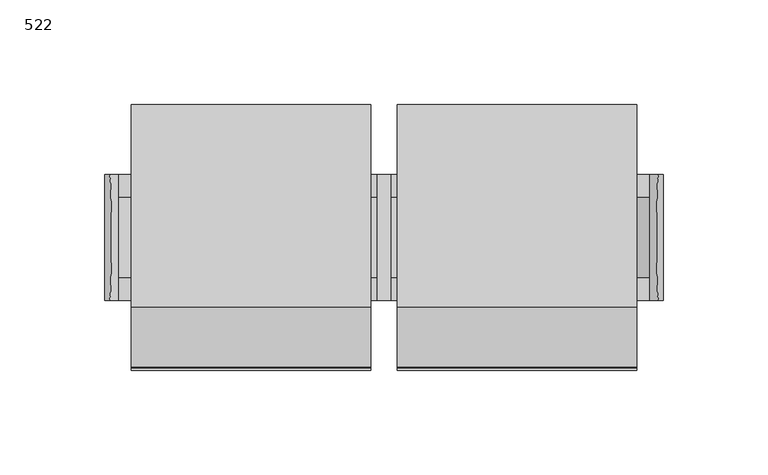
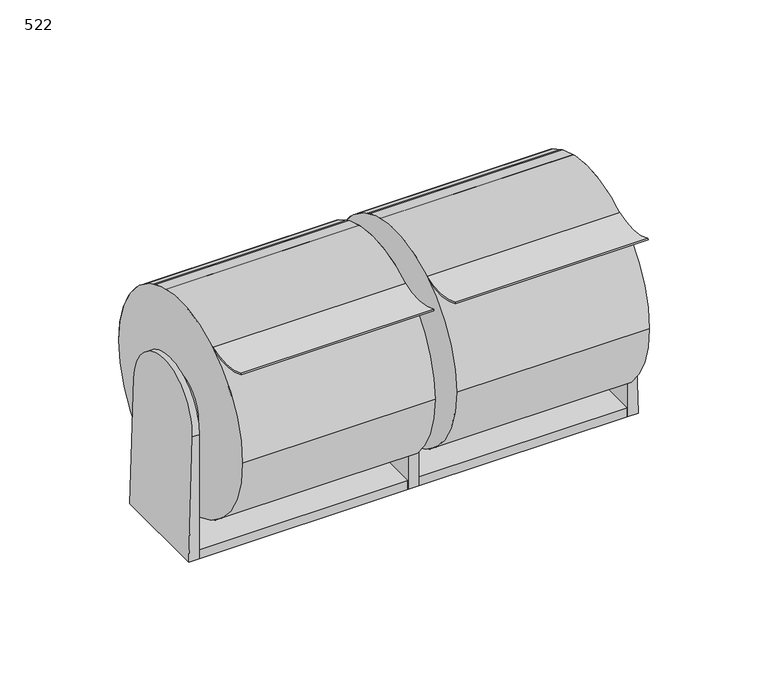
"""IFC4 building model written with IfcOpenShell, lengths in millimetres: proxy geometry, 522."""

from ifc_helpers import new_model, si_unit, point, frame, frame_2d, origin, origin_with_axes, place, context, project, spatial, polyline, circle_curve, ellipse_curve, trimmed, segment, composite_curve, outline, extrude, source, transform, mapped, element, save
from ifc_brep_helpers import plane_surface, cylinder_surface, advanced_brep


def proxy_522_7484cd55(model_context):
    return source(origin(), model_context, "Body", "SolidModel", [
        extrude(outline(composite_curve([segment(trimmed(circle_curve(frame_2d((0.0, 77.7875)), 63.5), [point((-63.5, 77.7875))], [point((63.5, 77.7875))], False, "CARTESIAN"), True, "CONTINUOUS"), segment(trimmed(circle_curve(frame_2d((0.0, 77.7875)), 63.5), [point((63.5, 77.7875))], [point((-63.5, 77.7875))], False, "CARTESIAN"), True, "CONTINUOUS")], self_intersect=False)), frame((6.35, 0.0, 0.0), z_axis=(1.0, 0.0, 0.0), x_axis=(0.0, 1.0, 0.0)), (0.0, 0.0, 1.0), 114.3),
        extrude(outline(composite_curve([segment(trimmed(circle_curve(frame_2d((0.0, 77.7875)), 63.5), [point((-63.5, 77.7875))], [point((63.5, 77.7875))], False, "CARTESIAN"), True, "CONTINUOUS"), segment(trimmed(circle_curve(frame_2d((0.0, 77.7875)), 63.5), [point((63.5, 77.7875))], [point((-63.5, 77.7875))], False, "CARTESIAN"), True, "CONTINUOUS")], self_intersect=False)), frame((-120.65, 0.0, 0.0), z_axis=(1.0, 0.0, 0.0), x_axis=(0.0, 1.0, 0.0)), (0.0, 0.0, 1.0), 114.3),
        extrude(outline(composite_curve([segment(polyline([(-62.3232389, 132.616294), (-61.9846275, 133.3341947)]), True, "CONTINUOUS"), segment(trimmed(circle_curve(frame_2d((-46.1096275, 166.9912771)), 37.2131002), [point((-61.9846275, 133.3341947))], [point((-32.4206435, 132.3874256))], True, "CARTESIAN"), True, "CONTINUOUS"), segment(trimmed(circle_curve(frame_2d((0.0, 77.7875)), 63.5), [point((-32.4206435, 132.3874256))], [point((63.5, 77.7875))], False, "CARTESIAN"), True, "CONTINUOUS"), segment(trimmed(circle_curve(frame_2d((0.0, 77.7875)), 63.5), [point((63.5, 77.7875))], [point((-63.5, 77.7875))], False, "CARTESIAN"), True, "CONTINUOUS"), segment(trimmed(circle_curve(frame_2d((0.0, 77.7875)), 63.5), [point((-63.5, 77.7875))], [point((-35.3470043, 130.5401235))], False, "CARTESIAN"), True, "CONTINUOUS"), segment(trimmed(circle_curve(frame_2d((-46.1096275, 166.9912771)), 38.0068502), [point((-35.3470043, 130.5401235))], [point((-62.3232389, 132.616294))], False, "CARTESIAN"), True, "CONTINUOUS")], self_intersect=False), holes=[composite_curve([segment(trimmed(circle_curve(frame_2d((0.0, 77.7875)), 19.05), [point((-19.05, 77.7875))], [point((19.05, 77.7875))], True, "CARTESIAN"), True, "CONTINUOUS"), segment(trimmed(circle_curve(frame_2d((0.0, 77.7875)), 19.05), [point((19.05, 77.7875))], [point((-19.05, 77.7875))], True, "CARTESIAN"), True, "CONTINUOUS")], self_intersect=False)]), frame((6.35, 0.0, 0.0), z_axis=(1.0, 0.0, 0.0), x_axis=(0.0, 1.0, 0.0)), (0.0, 0.0, 1.0), 114.3),
        extrude(outline(composite_curve([segment(polyline([(-62.3232389, 132.616294), (-61.9846275, 133.3341947)]), True, "CONTINUOUS"), segment(trimmed(circle_curve(frame_2d((-46.1096275, 166.9912771)), 37.2131002), [point((-61.9846275, 133.3341947))], [point((-32.4206435, 132.3874256))], True, "CARTESIAN"), True, "CONTINUOUS"), segment(trimmed(circle_curve(frame_2d((0.0, 77.7875)), 63.5), [point((-32.4206435, 132.3874256))], [point((63.5, 77.7875))], False, "CARTESIAN"), True, "CONTINUOUS"), segment(trimmed(circle_curve(frame_2d((0.0, 77.7875)), 63.5), [point((63.5, 77.7875))], [point((-63.5, 77.7875))], False, "CARTESIAN"), True, "CONTINUOUS"), segment(trimmed(circle_curve(frame_2d((0.0, 77.7875)), 63.5), [point((-63.5, 77.7875))], [point((-35.3470043, 130.5401235))], False, "CARTESIAN"), True, "CONTINUOUS"), segment(trimmed(circle_curve(frame_2d((-46.1096275, 166.9912771)), 38.0068502), [point((-35.3470043, 130.5401235))], [point((-62.3232389, 132.616294))], False, "CARTESIAN"), True, "CONTINUOUS")], self_intersect=False), holes=[composite_curve([segment(trimmed(circle_curve(frame_2d((0.0, 77.7875)), 19.05), [point((-19.05, 77.7875))], [point((19.05, 77.7875))], True, "CARTESIAN"), True, "CONTINUOUS"), segment(trimmed(circle_curve(frame_2d((0.0, 77.7875)), 19.05), [point((19.05, 77.7875))], [point((-19.05, 77.7875))], True, "CARTESIAN"), True, "CONTINUOUS")], self_intersect=False)]), frame((-120.65, 0.0, 0.0), z_axis=(1.0, 0.0, 0.0), x_axis=(0.0, 1.0, 0.0)), (0.0, 0.0, 1.0), 114.3),
        extrude(outline(composite_curve([segment(trimmed(circle_curve(frame_2d((0.0, 77.7875)), 30.1625), [point((-30.1625, 77.7875))], [point((30.1625, 77.7875))], False, "CARTESIAN"), True, "CONTINUOUS"), segment(polyline([(30.1625, 77.7875), (30.1625, 0.0), (-30.1625, 0.0), (-30.1625, 77.7875)]), True, "CONTINUOUS")], self_intersect=False)), frame((-3.175, 0.0, 0.0), z_axis=(1.0, 0.0, 0.0), x_axis=(0.0, 1.0, 0.0)), (0.0, 0.0, 1.0), 6.35),
        extrude(outline(composite_curve([segment(trimmed(circle_curve(frame_2d((0.0, 77.7875)), 19.05), [point((-19.05, 77.7875))], [point((19.05, 77.7875))], False, "CARTESIAN"), True, "CONTINUOUS"), segment(trimmed(circle_curve(frame_2d((0.0, 77.7875)), 19.05), [point((19.05, 77.7875))], [point((-19.05, 77.7875))], False, "CARTESIAN"), True, "CONTINUOUS")], self_intersect=False), holes=[composite_curve([segment(trimmed(circle_curve(frame_2d((0.0, 77.7875)), 16.3710938), [point((-16.3710938, 77.7875))], [point((16.3710937, 77.7875))], True, "CARTESIAN"), True, "CONTINUOUS"), segment(trimmed(circle_curve(frame_2d((0.0, 77.7875)), 16.3710938), [point((16.3710937, 77.7875))], [point((-16.3710938, 77.7875))], True, "CARTESIAN"), True, "CONTINUOUS")], self_intersect=False)]), frame((3.175, 0.0, 0.0), z_axis=(1.0, 0.0, 0.0), x_axis=(0.0, 1.0, 0.0)), (0.0, 0.0, 1.0), 12.6139096),
        extrude(outline(composite_curve([segment(trimmed(circle_curve(frame_2d((0.0, 77.7875)), 19.05), [point((-19.05, 77.7875))], [point((19.05, 77.7875))], False, "CARTESIAN"), True, "CONTINUOUS"), segment(trimmed(circle_curve(frame_2d((0.0, 77.7875)), 19.05), [point((19.05, 77.7875))], [point((-19.05, 77.7875))], False, "CARTESIAN"), True, "CONTINUOUS")], self_intersect=False), holes=[composite_curve([segment(trimmed(circle_curve(frame_2d((0.0, 77.7875)), 16.3710938), [point((-16.3710938, 77.7875))], [point((16.3710937, 77.7875))], True, "CARTESIAN"), True, "CONTINUOUS"), segment(trimmed(circle_curve(frame_2d((0.0, 77.7875)), 16.3710938), [point((16.3710937, 77.7875))], [point((-16.3710938, 77.7875))], True, "CARTESIAN"), True, "CONTINUOUS")], self_intersect=False)]), frame((-15.7889096, 0.0, 0.0), z_axis=(1.0, 0.0, 0.0), x_axis=(0.0, 1.0, 0.0)), (0.0, 0.0, 1.0), 12.6139096),
        extrude(outline(composite_curve([segment(trimmed(circle_curve(frame_2d((0.0, 77.7875)), 19.05), [point((-19.05, 77.7875))], [point((19.05, 77.7875))], False, "CARTESIAN"), True, "CONTINUOUS"), segment(trimmed(circle_curve(frame_2d((0.0, 77.7875)), 19.05), [point((19.05, 77.7875))], [point((-19.05, 77.7875))], False, "CARTESIAN"), True, "CONTINUOUS")], self_intersect=False), holes=[composite_curve([segment(trimmed(circle_curve(frame_2d((0.0, 77.7875)), 16.3710938), [point((-16.3710938, 77.7875))], [point((16.3710937, 77.7875))], True, "CARTESIAN"), True, "CONTINUOUS"), segment(trimmed(circle_curve(frame_2d((0.0, 77.7875)), 16.3710938), [point((16.3710937, 77.7875))], [point((-16.3710938, 77.7875))], True, "CARTESIAN"), True, "CONTINUOUS")], self_intersect=False)]), frame((114.3860904, 0.0, 0.0), z_axis=(1.0, 0.0, 0.0), x_axis=(0.0, 1.0, 0.0)), (0.0, 0.0, 1.0), 12.6139096),
        extrude(outline(composite_curve([segment(trimmed(circle_curve(frame_2d((0.0, 77.7875)), 19.05), [point((-19.05, 77.7875))], [point((19.05, 77.7875))], False, "CARTESIAN"), True, "CONTINUOUS"), segment(trimmed(circle_curve(frame_2d((0.0, 77.7875)), 19.05), [point((19.05, 77.7875))], [point((-19.05, 77.7875))], False, "CARTESIAN"), True, "CONTINUOUS")], self_intersect=False), holes=[composite_curve([segment(trimmed(circle_curve(frame_2d((0.0, 77.7875)), 16.3710938), [point((-16.3710938, 77.7875))], [point((16.3710937, 77.7875))], True, "CARTESIAN"), True, "CONTINUOUS"), segment(trimmed(circle_curve(frame_2d((0.0, 77.7875)), 16.3710938), [point((16.3710937, 77.7875))], [point((-16.3710938, 77.7875))], True, "CARTESIAN"), True, "CONTINUOUS")], self_intersect=False)]), frame((-127.0, 0.0, 0.0), z_axis=(1.0, 0.0, 0.0), x_axis=(0.0, 1.0, 0.0)), (0.0, 0.0, 1.0), 12.6139096),
        advanced_brep(
        [(127.0, -30.1625, 77.7875), (127.0, 30.1625, 77.7875), (127.0, 30.1625, 0.0), (127.0, -30.1625, 0.0), (131.0621324, -30.1625, 77.7875), (131.0621324, 30.1625, 77.7875), (133.35, 30.1625, 0.0), (133.35, -30.1625, 0.0)],
        [
            (0, 1, circle_curve(frame((127.0, 0.0, 77.7875), z_axis=(-1.0, 0.0, 0.0), x_axis=(0.0, 1.0, 0.0)), 30.1625)),
            (1, 2),
            (2, 3),
            (3, 0),
            (0, 4),
            (4, 5, ellipse_curve(frame((131.0621324, 0.0, 77.7875), z_axis=(-0.9995677544643551, 0.0, -0.029399051601824357), x_axis=(-0.02939905160182493, 0.0, 0.9995677544643551)), 30.1755432, 30.1625)),
            (5, 1),
            (5, 6),
            (6, 2),
            (6, 7),
            (7, 3),
            (7, 4),
        ],
        [
            plane_surface(frame((127.0, 30.1625, 77.7875), z_axis=(-1.0, 0.0, 0.0), x_axis=(0.0, 0.0, -1.0))),
            cylinder_surface(frame((133.35, 0.0, 77.7875), z_axis=(-1.0, 0.0, 0.0), x_axis=(0.0, 1.0, 0.0)), 30.1625),
            plane_surface(frame((127.0, 30.1625, 77.7875), z_axis=(0.0, 1.0, 0.0), x_axis=(1.0, 0.0, 0.0))),
            plane_surface(frame((127.0, 30.1625, 0.0), z_axis=(0.0, 0.0, -1.0), x_axis=(1.0, 0.0, 0.0))),
            plane_surface(frame((127.0, -30.1625, 0.0), z_axis=(0.0, -1.0, 0.0), x_axis=(1.0, 0.0, 0.0))),
            plane_surface(frame((129.6163204, -71.5464704, 126.9451048), z_axis=(0.9995677544643551, 0.0, 0.029399051601824357), x_axis=(0.0, 1.0, 0.0))),
        ],
        [
            (0, [[1, 2, 3, 4]]),
            (1, [[-1, 5, 6, 7]]),
            (2, [[-2, -7, 8, 9]]),
            (3, [[-3, -9, 10, 11]]),
            (4, [[-4, -11, 12, -5]]),
            (5, [[-6, -12, -10, -8]]),
        ],
    ),
        advanced_brep(
        [(-127.0, -30.1625, 77.7875), (-127.0, -30.1625, 0.0), (-127.0, 30.1625, 0.0), (-127.0, 30.1625, 77.7875), (-131.0621324, -30.1625, 77.7875), (-133.35, -30.1625, 0.0), (-133.35, 30.1625, 0.0), (-131.0621324, 30.1625, 77.7875)],
        [
            (0, 1),
            (1, 2),
            (2, 3),
            (3, 0, circle_curve(frame((-127.0, 0.0, 77.7875), z_axis=(1.0, 0.0, 0.0), x_axis=(0.0, 1.0, 0.0)), 30.1625)),
            (0, 4),
            (4, 5),
            (5, 1),
            (5, 6),
            (6, 2),
            (6, 7),
            (7, 3),
            (7, 4, ellipse_curve(frame((-131.0621324, 0.0, 77.7875), z_axis=(0.9995677544643545, 0.0, -0.029399051601844854), x_axis=(0.029399051601843855, 0.0, 0.9995677544643545)), 30.1755432, 30.1625)),
        ],
        [
            plane_surface(frame((-127.0, -30.1625, 77.7875), z_axis=(1.0, 0.0, 0.0), x_axis=(0.0, 0.0, -1.0))),
            plane_surface(frame((-127.0, -30.1625, 77.7875), z_axis=(0.0, -1.0, 0.0), x_axis=(-1.0, 0.0, 0.0))),
            plane_surface(frame((-127.0, -30.1625, 0.0), z_axis=(0.0, 0.0, -1.0), x_axis=(-1.0, 0.0, 0.0))),
            plane_surface(frame((-127.0, 30.1625, 0.0), z_axis=(0.0, 1.0, 0.0), x_axis=(-1.0, 0.0, 0.0))),
            cylinder_surface(frame((-133.35, 0.0, 77.7875), z_axis=(1.0, 0.0, 0.0), x_axis=(0.0, 1.0, 0.0)), 30.1625),
            plane_surface(frame((-134.4701039, -71.5464704, -38.0835314), z_axis=(-0.9995677544643545, 0.0, 0.029399051601844854), x_axis=(0.0, 1.0, 0.0))),
        ],
        [
            (0, [[1, 2, 3, 4]]),
            (1, [[-1, 5, 6, 7]]),
            (2, [[-2, -7, 8, 9]]),
            (3, [[-3, -9, 10, 11]]),
            (4, [[-4, -11, 12, -5]]),
            (5, [[-6, -12, -10, -8]]),
        ],
    ),
        extrude(outline(polyline([(127.0, 30.1625), (127.0, -30.1625), (3.175, -30.1625), (3.175, 30.1625), (127.0, 30.1625)])), origin_with_axes(), (0.0, 0.0, 1.0), 5.7182458),
        extrude(outline(polyline([(-3.175, 30.1625), (-3.175, -30.1625), (-127.0, -30.1625), (-127.0, 30.1625), (-3.175, 30.1625)])), origin_with_axes(), (0.0, 0.0, 1.0), 5.7182458),
    ])


if __name__ == "__main__":
    model = new_model("IFC4")
    model_context = context("Model", 3, world=origin())
    ifc_project = project(units=[si_unit("LENGTHUNIT", "METRE", prefix="MILLI")], contexts=[model_context])
    site = spatial("IfcSite", under=ifc_project)
    building = spatial("IfcBuilding", under=site)
    placement = place(None, origin())
    proxy_522_shape = proxy_522_7484cd55(model_context)
    element("IfcBuildingElementProxy", 1, Name="522", ObjectType="522", at=placement, inside=building, context=model_context, shape_type="MappedRepresentation", body=[
        mapped(proxy_522_shape, transform((0.0, 0.0, 0.0), x_axis=(1.0, 0.0, 0.0), y_axis=(0.0, 1.0, 0.0), z_axis=(0.0, 0.0, 1.0))),
    ])
    save(model, "model.ifc")
